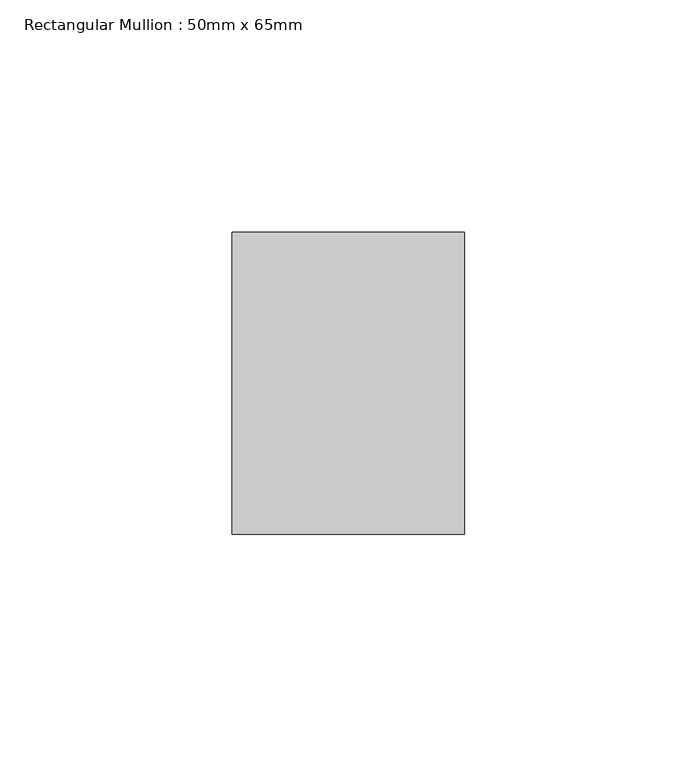
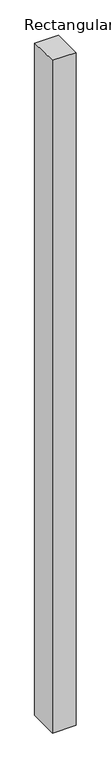
"""IFC4 building model written with IfcOpenShell, lengths in millimetres: member geometry, Rectangular Mullion : 50mm x 65mm."""

from ifc_helpers import new_model, si_unit, frame, origin, place, context, project, spatial, polyline, outline, extrude, source, transform, mapped, element, save


def rectangular_mullion_50mm_x_65mm_0679398d(model_context):
    return source(origin(), model_context, "Body", "SweptSolid", [
        extrude(outline(polyline([(-32.5, 0.3057236), (32.5, -0.3057235), (32.5, -1499.797038), (-32.5, -1500.2025133), (-32.5, 0.3057236)])), frame((-25.0, 0.0, 0.0), z_axis=(1.0, 0.0, 0.0), x_axis=(0.0, 1.0, 0.0)), (0.0, 0.0, 1.0), 50.0),
    ])


if __name__ == "__main__":
    model = new_model("IFC4")
    model_context = context("Model", 3, world=origin())
    ifc_project = project(units=[si_unit("LENGTHUNIT", "METRE", prefix="MILLI")], contexts=[model_context])
    site = spatial("IfcSite", under=ifc_project)
    building = spatial("IfcBuilding", under=site)
    placement = place(None, origin())
    rectangular_mullion_50mm_x_65mm_shape = rectangular_mullion_50mm_x_65mm_0679398d(model_context)
    element("IfcMember", 1, ObjectType="Rectangular Mullion : 50mm x 65mm", at=placement, inside=building, context=model_context, shape_type="MappedRepresentation", body=[
        mapped(rectangular_mullion_50mm_x_65mm_shape, transform((0.0, 0.0, 0.0), x_axis=(1.0, 0.0, 0.0), y_axis=(0.0, 1.0, 0.0), z_axis=(0.0, 0.0, 1.0))),
    ])
    save(model, "model.ifc")
